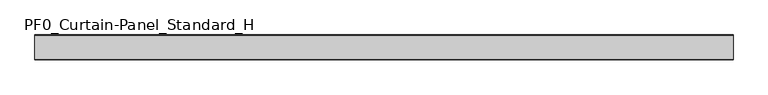
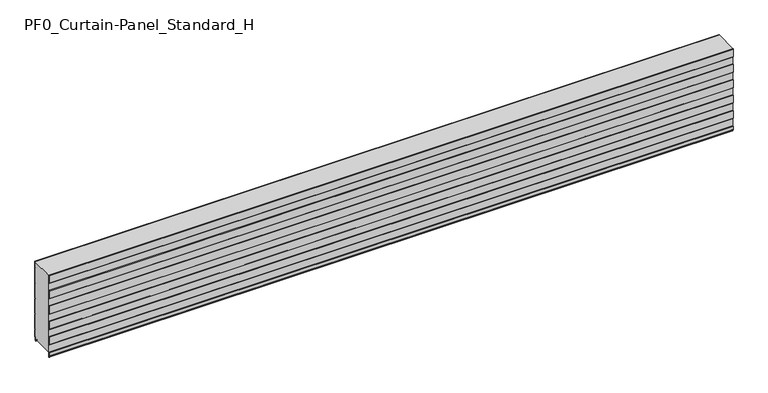
"""IFC4 building model written with IfcOpenShell, lengths in millimetres: plate geometry, PF0_Curtain-Panel_Standard_H."""

import ifcopenshell
import ifcopenshell.guid

model = None  # the IFC model being written
_history = None  # IfcOwnerHistory: only IFC2X3 demands one
_inside = {}  # id of a spatial element -> (the spatial element, [elements in it])
_under = {}  # id of a project, library or spatial element -> (it, [spatial elements below it])
_declared = {}  # id of a project -> (the project, [libraries it declares])
_typed = {}  # id of a type object -> (the type object, [elements of that type])
_made_of = {}  # id of a material, layer set ... -> (it, [elements and type objects made of it])


def new_model(schema):
    """Start an empty IFC model of exactly this schema.

    Asked for "IFC4X3", IfcOpenShell would pick the latest addendum, in which some entities
    have other attributes; the version numbers below select the first issue.
    IFC2X3 requires an IfcOwnerHistory on every rooted entity: one is made here for all.
    """
    global model, _history
    if schema == "IFC4X3":
        model = ifcopenshell.file(schema_version=(4, 3, 0, 0))
    else:
        model = ifcopenshell.file(schema=schema)
    _inside.clear()
    _under.clear()
    _declared.clear()
    _typed.clear()
    _made_of.clear()
    _history = None
    if model.schema == "IFC2X3":
        org = make("IfcOrganization", Name="unknown")
        user = make(
            "IfcPersonAndOrganization",
            ThePerson=make("IfcPerson", FamilyName="unknown"),
            TheOrganization=org,
        )
        app = make(
            "IfcApplication",
            ApplicationDeveloper=org,
            Version="unknown",
            ApplicationFullName="unknown",
            ApplicationIdentifier="unknown",
        )
        _history = make(
            "IfcOwnerHistory",
            OwningUser=user,
            OwningApplication=app,
            ChangeAction="ADDED",
            CreationDate=0,
        )
    return model


def make(cls, **values):
    """One entity of the class cls with the attributes given. An attribute that is None is left unset."""
    return model.create_entity(
        cls, **{name: value for name, value in values.items() if value is not None}
    )


def rooted(cls, **values):
    """An entity with a GlobalId (a new one), such as an element, a storey or a relation."""
    return make(cls, GlobalId=ifcopenshell.guid.new(), OwnerHistory=_history, **values)


def si_unit(unit_type, name, prefix=None):
    """IfcSIUnit, for example si_unit("LENGTHUNIT", "METRE", prefix="MILLI")."""
    return make("IfcSIUnit", UnitType=unit_type, Prefix=prefix, Name=name)


def assignment(units):
    """IfcUnitAssignment: the units of a project."""
    return None if units is None else make("IfcUnitAssignment", Units=units)


def point(xyz):
    """IfcCartesianPoint."""
    return None if xyz is None else make("IfcCartesianPoint", Coordinates=xyz)


def direction(xyz):
    """IfcDirection."""
    return None if xyz is None else make("IfcDirection", DirectionRatios=xyz)


def frame(location, z_axis=None, x_axis=None):
    """IfcAxis2Placement3D, a coordinate frame: its origin and axes. An axis left out is left unset."""
    return make(
        "IfcAxis2Placement3D",
        Location=point(location),
        Axis=direction(z_axis),
        RefDirection=direction(x_axis),
    )


def frame_2d(location, x_axis=None):
    """IfcAxis2Placement2D, a coordinate frame in the plane: its origin and x axis."""
    return make(
        "IfcAxis2Placement2D", Location=point(location), RefDirection=direction(x_axis)
    )


def origin():
    """The frame at (0, 0, 0) with its axes left unset."""
    return frame((0.0, 0.0, 0.0))


def place(relative_to, where):
    """IfcLocalPlacement: puts the frame where relative to a parent placement (None: the world)."""
    return make(
        "IfcLocalPlacement", PlacementRelTo=relative_to, RelativePlacement=where
    )


def context(
    kind, dimensions, precision=None, world=None, true_north=None, identifier=None
):
    """IfcGeometricRepresentationContext, for example the 3D "Model" context."""
    return make(
        "IfcGeometricRepresentationContext",
        ContextIdentifier=identifier,
        ContextType=kind,
        CoordinateSpaceDimension=dimensions,
        Precision=precision,
        WorldCoordinateSystem=world,
        TrueNorth=true_north,
    )


def project(units=None, contexts=None):
    """IfcProject with its units and contexts."""
    return rooted(
        "IfcProject",
        Name="project",
        RepresentationContexts=contexts,
        UnitsInContext=assignment(units),
    )


def spatial(cls, under=None, at=None, **own):
    """A site, building, storey or space (cls), placed at a placement, below another one or the project."""
    s = rooted(cls, ObjectPlacement=at, **own)
    if under is not None:
        _under.setdefault(under.id(), (under, []))[1].append(s)
    return s


def polyline(points):
    """IfcPolyline through the points."""
    return make("IfcPolyline", Points=[point(p) for p in points])


def circle_curve(where, radius):
    """IfcCircle in the frame where."""
    return make("IfcCircle", Position=where, Radius=radius)


def trimmed(basis, trim1, trim2, sense, master):
    """IfcTrimmedCurve: the piece of a basis curve between two trims."""
    return make(
        "IfcTrimmedCurve",
        BasisCurve=basis,
        Trim1=trim1,
        Trim2=trim2,
        SenseAgreement=sense,
        MasterRepresentation=master,
    )


def segment(curve, same_sense, transition):
    """IfcCompositeCurveSegment."""
    return make(
        "IfcCompositeCurveSegment",
        Transition=transition,
        SameSense=same_sense,
        ParentCurve=curve,
    )


def composite_curve(segments, self_intersect=None):
    """IfcCompositeCurve: segments joined end to end."""
    return make("IfcCompositeCurve", Segments=segments, SelfIntersect=self_intersect)


def outline(outer, holes=None, kind="AREA"):
    """IfcArbitraryClosedProfileDef: a profile drawn as a closed curve; with holes, ...WithVoids."""
    if holes is None:
        return make("IfcArbitraryClosedProfileDef", ProfileType=kind, OuterCurve=outer)
    return make(
        "IfcArbitraryProfileDefWithVoids",
        ProfileType=kind,
        OuterCurve=outer,
        InnerCurves=holes,
    )


def extrude(swept, where, along, depth):
    """IfcExtrudedAreaSolid: the profile swept, set in the frame where, extruded along a direction by depth."""
    return make(
        "IfcExtrudedAreaSolid",
        SweptArea=swept,
        Position=where,
        ExtrudedDirection=direction(along),
        Depth=depth,
    )


def shape(context_of_items, identifier, shape_type, items):
    """IfcShapeRepresentation: the items that make up one representation, for example the "Body"."""
    return make(
        "IfcShapeRepresentation",
        ContextOfItems=context_of_items,
        RepresentationIdentifier=identifier,
        RepresentationType=shape_type,
        Items=items,
    )


def source(mapping_origin, context_of_items, identifier, shape_type, items):
    """IfcRepresentationMap: a shape defined once, which mapped items show again and again."""
    return make(
        "IfcRepresentationMap",
        MappingOrigin=mapping_origin,
        MappedRepresentation=shape(context_of_items, identifier, shape_type, items),
    )


def transform(
    local_origin,
    x_axis=None,
    y_axis=None,
    z_axis=None,
    scale=None,
    scale2=None,
    scale3=None,
    uniform=True,
):
    """IfcCartesianTransformationOperator3D, or its non-uniform kind. x_axis, y_axis, z_axis: its Axis1, 2, 3."""
    if uniform:
        return make(
            "IfcCartesianTransformationOperator3D",
            Axis1=direction(x_axis),
            Axis2=direction(y_axis),
            LocalOrigin=point(local_origin),
            Scale=scale,
            Axis3=direction(z_axis),
        )
    return make(
        "IfcCartesianTransformationOperator3DnonUniform",
        Axis1=direction(x_axis),
        Axis2=direction(y_axis),
        LocalOrigin=point(local_origin),
        Scale=scale,
        Axis3=direction(z_axis),
        Scale2=scale2,
        Scale3=scale3,
    )


def mapped(mapping_source, mapping_target):
    """IfcMappedItem: shows the shape of a source again, moved by a transform."""
    return make(
        "IfcMappedItem", MappingSource=mapping_source, MappingTarget=mapping_target
    )


def made_of(thing, what):
    """Note that an element or type object is made of a material, layer set ...; save() writes the relation."""
    if what is not None:
        _made_of.setdefault(what.id(), (what, []))[1].append(thing)
    return thing


def element(
    cls,
    number,
    at=None,
    inside=None,
    cuts=None,
    type_object=None,
    material=None,
    context=None,
    identifier="Body",
    shape_type=None,
    held_by="IfcProductDefinitionShape",
    body=None,
    shapes=None,
    **own,
):
    """One element of the class cls, such as IfcWall. Its Tag is "e" and its number.

    at: its placement. inside: the storey or other place that contains it. cuts: it is an
    opening in that element (IfcRelVoidsElement). A single representation is given by context,
    identifier, shape_type and body (its items); several are given by shapes. held_by: the class
    of the entity that holds the representations. save() writes the other relations.
    """
    e = rooted(cls, Tag="e%d" % number, ObjectPlacement=at, **own)
    if body is not None:
        shapes = [shape(context, identifier, shape_type, body)]
    if shapes is not None:
        e.Representation = make(held_by, Representations=shapes)
    if inside is not None:
        _inside.setdefault(inside.id(), (inside, []))[1].append(e)
    if cuts is not None:
        rooted(
            "IfcRelVoidsElement", RelatingBuildingElement=cuts, RelatedOpeningElement=e
        )
    if type_object is not None:
        _typed.setdefault(type_object.id(), (type_object, []))[1].append(e)
    return made_of(e, material)


def aggregate(whole, parts):
    """IfcRelAggregates: a whole, such as a stair, and the parts it consists of."""
    return rooted("IfcRelAggregates", RelatingObject=whole, RelatedObjects=parts)


def save(model, path):
    """Write the relations noted so far, then the file.

    IfcRelAggregates (storeys below a building ...), IfcRelContainedInSpatialStructure (elements
    in a storey), IfcRelDefinesByType, IfcRelAssociatesMaterial and IfcRelDeclares: one each for
    every whole, place, type object, material and project.
    """
    for whole, parts in _under.values():
        aggregate(whole, parts)
    for where, things in _inside.values():
        rooted(
            "IfcRelContainedInSpatialStructure",
            RelatedElements=things,
            RelatingStructure=where,
        )
    for kind, things in _typed.values():
        rooted("IfcRelDefinesByType", RelatedObjects=things, RelatingType=kind)
    for what, things in _made_of.values():
        rooted("IfcRelAssociatesMaterial", RelatedObjects=things, RelatingMaterial=what)
    for by, libraries in _declared.values():
        rooted("IfcRelDeclares", RelatingContext=by, RelatedDefinitions=libraries)
    model.write(path)


def pf0_curtain_panel_standard_h_df297620(model_context):
    return source(origin(), model_context, "Body", "SweptSolid", [
        extrude(outline(composite_curve([segment(polyline([(-140.0, 0.0), (-143.5, 0.0)]), True, "CONTINUOUS"), segment(trimmed(circle_curve(frame_2d((-143.5, -2.0)), 2.0), [point((-143.5, 0.0))], [point((-145.5, -2.0))], True, "CARTESIAN"), True, "CONTINUOUS"), segment(polyline([(-145.5, -2.0), (-145.5, -33.0)]), True, "CONTINUOUS"), segment(trimmed(circle_curve(frame_2d((-146.5, -33.0)), 1.0), [point((-145.5, -33.0))], [point((-147.5, -33.0))], False, "CARTESIAN"), True, "CONTINUOUS"), segment(polyline([(-147.5, -33.0), (-147.5, -26.9)]), True, "CONTINUOUS"), segment(trimmed(circle_curve(frame_2d((-148.4, -26.9)), 0.9), [point((-147.5, -26.9))], [point((-148.4, -26.0))], True, "CARTESIAN"), True, "CONTINUOUS"), segment(trimmed(circle_curve(frame_2d((-148.4, -24.4)), 1.6), [point((-148.4, -26.0))], [point((-150.0, -24.4))], False, "CARTESIAN"), True, "CONTINUOUS"), segment(polyline([(-150.0, -24.4), (-150.0, -0.9952559), (-148.5, 1.6028217), (-148.5, 46.4028193), (-150.0, 49.0008969), (-150.0, 99.0047441), (-148.5, 101.6028217), (-148.5, 146.4028193), (-150.0, 149.0008969), (-150.0, 199.0047441), (-148.5, 201.6028217), (-148.5, 246.4028193), (-150.0, 249.0008969), (-150.0, 299.0047441), (-148.5, 301.6028217), (-148.5, 346.4028193), (-150.0, 349.0008969), (-150.0, 399.0047441), (-148.5, 401.6028217), (-148.5, 446.4028193), (-150.0, 449.0008969), (-150.0, 499.0047441), (-149.425389, 500.0), (-148.5016287, 500.0), (-149.2, 498.7903848), (-149.2, 449.2152562), (-147.7, 446.6171786), (-147.7, 401.3884624), (-149.2, 398.7903848), (-149.2, 349.2152562), (-147.7, 346.6171786), (-147.7, 301.3884624), (-149.2, 298.7903848), (-149.2, 249.2152562), (-147.7, 246.6171786), (-147.7, 201.3884624), (-149.2, 198.7903848), (-149.2, 149.2152562), (-147.7, 146.6171786), (-147.7, 101.3884624), (-149.2, 98.7903848), (-149.2, 49.2152562), (-147.7, 46.6171786), (-147.7, 1.3884624), (-149.2, -1.2096152), (-149.2, -24.4)]), True, "CONTINUOUS"), segment(trimmed(circle_curve(frame_2d((-148.4, -24.4)), 0.8), [point((-149.2, -24.4))], [point((-148.4, -25.2))], True, "CARTESIAN"), True, "CONTINUOUS"), segment(trimmed(circle_curve(frame_2d((-148.6133333, -26.9)), 1.7133333), [point((-148.4, -25.2))], [point((-146.9, -26.9))], False, "CARTESIAN"), True, "CONTINUOUS"), segment(polyline([(-146.9, -26.9), (-146.9, -32.8700312)]), True, "CONTINUOUS"), segment(trimmed(circle_curve(frame_2d((-146.6, -32.8700312)), 0.3), [point((-146.9, -32.8700312))], [point((-146.3, -32.8700312))], True, "CARTESIAN"), True, "CONTINUOUS"), segment(polyline([(-146.3, -32.8700312), (-146.3, -2.0)]), True, "CONTINUOUS"), segment(trimmed(circle_curve(frame_2d((-143.5, -2.0)), 2.8), [point((-146.3, -2.0))], [point((-143.5, 0.8))], False, "CARTESIAN"), True, "CONTINUOUS"), segment(polyline([(-143.5, 0.8), (-140.0, 0.8), (-140.0, 0.0)]), True, "CONTINUOUS")], self_intersect=False)), frame((-2100.0, 0.0, 0.0), z_axis=(1.0, 0.0, 0.0), x_axis=(0.0, 1.0, 0.0)), (0.0, 0.0, 1.0), 4200.0),
        extrude(outline(composite_curve([segment(polyline([(-15.878557, 0.0), (-20.0, 0.0), (-20.0, 0.8), (-15.878557, 0.8)]), True, "CONTINUOUS"), segment(trimmed(circle_curve(frame_2d((-15.878557, -2.0)), 2.8), [point((-15.878557, 0.8))], [point((-13.1503208, -1.370137))], False, "CARTESIAN"), True, "CONTINUOUS"), segment(polyline([(-13.1503208, -1.370137), (-11.728236, -7.529863)]), True, "CONTINUOUS"), segment(trimmed(circle_curve(frame_2d((-9.0, -6.9)), 2.8), [point((-11.728236, -7.529863))], [point((-6.2, -6.9))], True, "CARTESIAN"), True, "CONTINUOUS"), segment(polyline([(-6.2, -6.9), (-6.2, 8.6)]), True, "CONTINUOUS"), segment(trimmed(circle_curve(frame_2d((-3.4, 8.6)), 2.8), [point((-6.2, 8.6))], [point((-3.4, 11.4))], False, "CARTESIAN"), True, "CONTINUOUS"), segment(polyline([(-3.4, 11.4), (-2.0, 11.4)]), True, "CONTINUOUS"), segment(trimmed(circle_curve(frame_2d((-2.0, 12.6)), 1.2), [point((-2.0, 11.4))], [point((-0.8, 12.6))], True, "CARTESIAN"), True, "CONTINUOUS"), segment(polyline([(-0.8, 12.6), (-0.8, 57.6856412), (-2.482606, 60.6), (-0.8, 63.5143588), (-0.8, 157.6856412), (-2.482606, 160.6), (-0.8, 163.5143588), (-0.8, 257.6856412), (-2.482606, 260.6), (-0.8, 263.5143588), (-0.8, 357.6856412), (-2.482606, 360.6), (-0.8, 363.5143588), (-0.8, 457.6856412), (-2.482606, 460.6), (-0.8, 463.5143588), (-0.8, 500.0), (0.0, 500.0), (0.0, 463.2999995), (-1.5588455, 460.6), (0.0, 457.9000005), (0.0, 363.2999995), (-1.5588455, 360.6), (0.0, 357.9000005), (0.0, 263.2999995), (-1.5588455, 260.6), (0.0, 257.9000005), (0.0, 163.2999995), (-1.5588455, 160.6), (0.0, 157.9000005), (0.0, 63.2999995), (-1.5588455, 60.6), (0.0, 57.9000005), (0.0, 12.6)]), True, "CONTINUOUS"), segment(trimmed(circle_curve(frame_2d((-2.0, 12.6)), 2.0), [point((0.0, 12.6))], [point((-2.0, 10.6))], False, "CARTESIAN"), True, "CONTINUOUS"), segment(polyline([(-2.0, 10.6), (-3.4, 10.6)]), True, "CONTINUOUS"), segment(trimmed(circle_curve(frame_2d((-3.4, 8.6)), 2.0), [point((-3.4, 10.6))], [point((-5.4, 8.6))], True, "CARTESIAN"), True, "CONTINUOUS"), segment(polyline([(-5.4, 8.6), (-5.4, -6.9)]), True, "CONTINUOUS"), segment(trimmed(circle_curve(frame_2d((-9.0, -6.9)), 3.6), [point((-5.4, -6.9))], [point((-12.5077322, -7.7098239))], False, "CARTESIAN"), True, "CONTINUOUS"), segment(polyline([(-12.5077322, -7.7098239), (-13.929817, -1.5500979)]), True, "CONTINUOUS"), segment(trimmed(circle_curve(frame_2d((-15.878557, -2.0)), 2.0), [point((-13.929817, -1.5500979))], [point((-15.878557, 0.0))], True, "CARTESIAN"), True, "CONTINUOUS")], self_intersect=False)), frame((-2100.0, 0.0, 0.0), z_axis=(1.0, 0.0, 0.0), x_axis=(0.0, 1.0, 0.0)), (0.0, 0.0, 1.0), 4200.0),
        extrude(outline(composite_curve([segment(polyline([(-140.0, 0.8), (-143.5, 0.8)]), True, "CONTINUOUS"), segment(trimmed(circle_curve(frame_2d((-143.5, -2.0)), 2.8), [point((-143.5, 0.8))], [point((-146.3, -2.0))], True, "CARTESIAN"), True, "CONTINUOUS"), segment(polyline([(-146.3, -2.0), (-146.3, -32.8700312)]), True, "CONTINUOUS"), segment(trimmed(circle_curve(frame_2d((-146.6, -32.8700312)), 0.3), [point((-146.3, -32.8700312))], [point((-146.9, -32.8700312))], False, "CARTESIAN"), True, "CONTINUOUS"), segment(polyline([(-146.9, -32.8700312), (-146.9, -26.9)]), True, "CONTINUOUS"), segment(trimmed(circle_curve(frame_2d((-148.6133333, -26.9)), 1.7133333), [point((-146.9, -26.9))], [point((-148.4, -25.2))], True, "CARTESIAN"), True, "CONTINUOUS"), segment(trimmed(circle_curve(frame_2d((-148.4, -24.4)), 0.8), [point((-148.4, -25.2))], [point((-149.2, -24.4))], False, "CARTESIAN"), True, "CONTINUOUS"), segment(polyline([(-149.2, -24.4), (-149.2, -1.2096152), (-147.7, 1.3884624), (-147.7, 46.6171786), (-149.2, 49.2152562), (-149.2, 98.7903848), (-147.7, 101.3884624), (-147.7, 146.6171786), (-149.2, 149.2152562), (-149.2, 198.7903848), (-147.7, 201.3884624), (-147.7, 246.6171786), (-149.2, 249.2152562), (-149.2, 298.7903848), (-147.7, 301.3884624), (-147.7, 346.6171786), (-149.2, 349.2152562), (-149.2, 398.7903848), (-147.7, 401.3884624), (-147.7, 446.6171786), (-149.2, 449.2152562), (-149.2, 498.7903848), (-148.5016287, 500.0), (-0.8, 500.0), (-0.8, 463.5143588), (-2.482606, 460.6), (-0.8, 457.6856412), (-0.8, 363.5143588), (-2.482606, 360.6), (-0.8, 357.6856412), (-0.8, 263.5143588), (-2.482606, 260.6), (-0.8, 257.6856412), (-0.8, 163.5143588), (-2.482606, 160.6), (-0.8, 157.6856412), (-0.8, 63.5143588), (-2.482606, 60.6), (-0.8, 57.6856412), (-0.8, 12.6)]), True, "CONTINUOUS"), segment(trimmed(circle_curve(frame_2d((-2.0, 12.6)), 1.2), [point((-0.8, 12.6))], [point((-2.0, 11.4))], False, "CARTESIAN"), True, "CONTINUOUS"), segment(polyline([(-2.0, 11.4), (-3.4, 11.4)]), True, "CONTINUOUS"), segment(trimmed(circle_curve(frame_2d((-3.4, 8.6)), 2.8), [point((-3.4, 11.4))], [point((-6.2, 8.6))], True, "CARTESIAN"), True, "CONTINUOUS"), segment(polyline([(-6.2, 8.6), (-6.2, -6.9)]), True, "CONTINUOUS"), segment(trimmed(circle_curve(frame_2d((-9.0, -6.9)), 2.8), [point((-6.2, -6.9))], [point((-11.7282362, -7.529863))], False, "CARTESIAN"), True, "CONTINUOUS"), segment(polyline([(-11.7282362, -7.529863), (-13.1503208, -1.370137)]), True, "CONTINUOUS"), segment(trimmed(circle_curve(frame_2d((-15.878557, -2.0)), 2.8), [point((-13.1503208, -1.370137))], [point((-15.878557, 0.8))], True, "CARTESIAN"), True, "CONTINUOUS"), segment(polyline([(-15.878557, 0.8), (-20.0, 0.8), (-20.0, 0.0), (-140.0, 0.0), (-140.0, 0.8)]), True, "CONTINUOUS")], self_intersect=False)), frame((-2100.0, 0.0, 0.0), z_axis=(1.0, 0.0, 0.0), x_axis=(0.0, 1.0, 0.0)), (0.0, 0.0, 1.0), 4200.0),
    ])


if __name__ == "__main__":
    model = new_model("IFC4")
    model_context = context("Model", 3, world=origin())
    ifc_project = project(units=[si_unit("LENGTHUNIT", "METRE", prefix="MILLI")], contexts=[model_context])
    site = spatial("IfcSite", under=ifc_project)
    building = spatial("IfcBuilding", under=site)
    placement = place(None, origin())
    pf0_curtain_panel_standard_h_shape = pf0_curtain_panel_standard_h_df297620(model_context)
    element("IfcPlate", 1, ObjectType="PF0_Curtain-Panel_Standard_H", at=placement, inside=building, context=model_context, shape_type="MappedRepresentation", body=[
        mapped(pf0_curtain_panel_standard_h_shape, transform((0.0, 0.0, 0.0), x_axis=(1.0, 0.0, 0.0), y_axis=(0.0, 1.0, 0.0), z_axis=(0.0, 0.0, 1.0))),
    ])
    save(model, "model.ifc")
